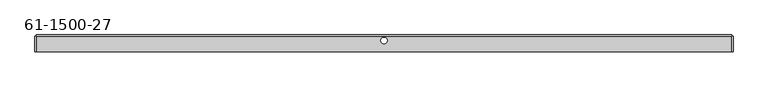
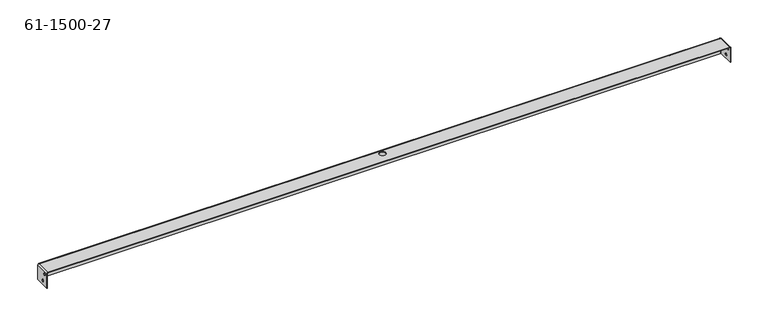
"""IFC4 building model written with IfcOpenShell, lengths in millimetres: proxy geometry, 61-1500-27."""

from ifc_helpers import new_model, si_unit, frame, origin, place, context, project, spatial, polyline, circle_curve, source, transform, mapped, element, save
from ifc_brep_helpers import plane_surface, cylinder_surface, revolved_surface, advanced_brep


def proxy_61_1500_27_6c1998b3(model_context):
    return source(origin(), model_context, "Body", "AdvancedBrep", [
        advanced_brep(
        [(-195.5638734, -8.8208295, -3.78206), (-196.4173134, -8.8208295, -3.78206), (-196.4173134, -8.8208295, -7.21106), (-195.5638734, -8.8208295, -7.21106), (860.8576866, -8.8208295, -3.78206), (860.0042466, -8.8208295, -3.78206), (860.0042466, -8.8208295, -7.21106), (860.8576866, -8.8208295, -7.21106), (-195.5638734, -4.1777095, -16.48206), (-196.4173134, -4.1777095, -16.48206), (-196.4173134, -4.1777095, -19.91106), (-195.5638734, -4.1777095, -19.91106), (860.8576866, -4.1777095, -16.48206), (860.0042466, -4.1777095, -16.48206), (860.0042466, -4.1777095, -19.91106), (860.8576866, -4.1777095, -19.91106), (336.9826866, 1.5372905, 0.0), (336.9826866, 1.5372905, 0.85344), (327.4576866, 1.5372905, 0.85344), (327.4576866, 1.5372905, 0.0), (-194.7104334, 9.3757305, -24.54656), (-194.7104334, 10.2291705, -24.54656), (859.1508066, 10.2291705, -24.54656), (859.1508066, 9.3757305, -24.54656), (-194.7104334, 10.2291705, -0.85344), (859.1508066, 10.2291705, -0.85344), (860.8576866, -15.1708295, -0.85344), (860.8576866, 8.5222905, -0.85344), (859.1508066, 8.5222905, 0.85344), (859.1508066, -15.1708295, 0.85344), (860.0042466, 8.5222905, -0.85344), (860.0042466, -15.1708295, -0.85344), (859.1508066, -15.1708295, 0.0), (859.1508066, 8.5222905, 0.0), (859.1508066, 9.3757305, -0.85344), (-194.7104334, 8.5222905, 0.85344), (-194.7104334, -15.1708295, 0.0), (-194.7104334, 8.5222905, 0.0), (-194.7104334, -15.1708295, 0.85344), (-196.4173134, -15.1708295, -0.85344), (-196.4173134, -15.1708295, -24.54656), (-195.5638734, -15.1708295, -24.54656), (-195.5638734, -15.1708295, -0.85344), (860.0042466, -15.1708295, -24.54656), (860.8576866, -15.1708295, -24.54656), (-196.4173134, 8.5222905, -0.85344), (-195.5638734, 8.5222905, -0.85344), (-194.7104334, 9.3757305, -0.85344), (-196.4173134, 8.5222905, -24.54656), (-195.5638734, 8.5222905, -24.54656), (860.8576866, 8.5222905, -24.54656), (860.0042466, 8.5222905, -24.54656)],
        [
            (0, 1),
            (1, 2, circle_curve(frame((-196.4173134, -8.8208295, -5.49656), z_axis=(-1.0, 0.0, 0.0), x_axis=(0.0, 0.0, 1.0)), 1.7145)),
            (2, 3),
            (3, 0, circle_curve(frame((-195.5638734, -8.8208295, -5.49656), z_axis=(1.0, 0.0, 0.0), x_axis=(0.0, 0.0, 1.0)), 1.7145)),
            (4, 5),
            (5, 6, circle_curve(frame((860.0042466, -8.8208295, -5.49656), z_axis=(-1.0, 0.0, 0.0), x_axis=(0.0, 0.0, 1.0)), 1.7145)),
            (6, 7),
            (7, 4, circle_curve(frame((860.8576866, -8.8208295, -5.49656), z_axis=(1.0, 0.0, 0.0), x_axis=(0.0, 0.0, 1.0)), 1.7145)),
            (8, 9),
            (9, 10, circle_curve(frame((-196.4173134, -4.1777095, -18.19656), z_axis=(-1.0, 0.0, 0.0), x_axis=(0.0, 0.0, 1.0)), 1.7145)),
            (10, 11),
            (11, 8, circle_curve(frame((-195.5638734, -4.1777095, -18.19656), z_axis=(1.0, 0.0, 0.0), x_axis=(0.0, 0.0, 1.0)), 1.7145)),
            (12, 13),
            (13, 14, circle_curve(frame((860.0042466, -4.1777095, -18.19656), z_axis=(-1.0, 0.0, 0.0), x_axis=(0.0, 0.0, 1.0)), 1.7145)),
            (14, 15),
            (15, 12, circle_curve(frame((860.8576866, -4.1777095, -18.19656), z_axis=(1.0, 0.0, 0.0), x_axis=(0.0, 0.0, 1.0)), 1.7145)),
            (16, 17),
            (17, 18, circle_curve(frame((332.2201866, 1.5372905, 0.85344), z_axis=(0.0, 0.0, 1.0), x_axis=(1.0, 0.0, 0.0)), 4.7625)),
            (18, 19),
            (19, 16, circle_curve(frame((332.2201866, 1.5372905, 0.0), z_axis=(0.0, 0.0, -1.0), x_axis=(1.0, 0.0, 0.0)), 4.7625)),
            (16, 19, circle_curve(frame((332.2201866, 1.5372905, 0.0), z_axis=(0.0, 0.0, -1.0), x_axis=(1.0, 0.0, 0.0)), 4.7625)),
            (18, 17, circle_curve(frame((332.2201866, 1.5372905, 0.85344), z_axis=(0.0, 0.0, 1.0), x_axis=(1.0, 0.0, 0.0)), 4.7625)),
            (12, 15, circle_curve(frame((860.8576866, -4.1777095, -18.19656), z_axis=(1.0, 0.0, 0.0), x_axis=(0.0, 0.0, 1.0)), 1.7145)),
            (14, 13, circle_curve(frame((860.0042466, -4.1777095, -18.19656), z_axis=(-1.0, 0.0, 0.0), x_axis=(0.0, 0.0, 1.0)), 1.7145)),
            (8, 11, circle_curve(frame((-195.5638734, -4.1777095, -18.19656), z_axis=(1.0, 0.0, 0.0), x_axis=(0.0, 0.0, 1.0)), 1.7145)),
            (10, 9, circle_curve(frame((-196.4173134, -4.1777095, -18.19656), z_axis=(-1.0, 0.0, 0.0), x_axis=(0.0, 0.0, 1.0)), 1.7145)),
            (4, 7, circle_curve(frame((860.8576866, -8.8208295, -5.49656), z_axis=(1.0, 0.0, 0.0), x_axis=(0.0, 0.0, 1.0)), 1.7145)),
            (6, 5, circle_curve(frame((860.0042466, -8.8208295, -5.49656), z_axis=(-1.0, 0.0, 0.0), x_axis=(0.0, 0.0, 1.0)), 1.7145)),
            (0, 3, circle_curve(frame((-195.5638734, -8.8208295, -5.49656), z_axis=(1.0, 0.0, 0.0), x_axis=(0.0, 0.0, 1.0)), 1.7145)),
            (2, 1, circle_curve(frame((-196.4173134, -8.8208295, -5.49656), z_axis=(-1.0, 0.0, 0.0), x_axis=(0.0, 0.0, 1.0)), 1.7145)),
            (20, 21),
            (21, 22),
            (22, 23),
            (23, 20),
            (21, 24),
            (24, 25),
            (25, 22),
            (26, 27),
            (27, 28, circle_curve(frame((859.1508066, 8.5222905, -0.85344), z_axis=(0.0, -1.0, 0.0), x_axis=(0.0, 0.0, 1.0)), 1.70688)),
            (28, 29),
            (29, 26, circle_curve(frame((859.1508066, -15.1708295, -0.85344), z_axis=(0.0, 1.0, 0.0), x_axis=(0.0, 0.0, 1.0)), 1.70688)),
            (30, 31),
            (31, 32, circle_curve(frame((859.1508066, -15.1708295, -0.85344), z_axis=(0.0, -1.0, 0.0), x_axis=(0.0, 0.0, 1.0)), 0.85344)),
            (32, 33),
            (33, 30, circle_curve(frame((859.1508066, 8.5222905, -0.85344), z_axis=(0.0, 1.0, 0.0), x_axis=(0.0, 0.0, 1.0)), 0.85344)),
            (28, 33),
            (33, 34, circle_curve(frame((859.1508066, 8.5222905, -0.85344), z_axis=(-1.0, 0.0, 0.0), x_axis=(0.0, 0.0, 1.0)), 0.85344)),
            (34, 23),
            (25, 28, circle_curve(frame((859.1508066, 8.5222905, -0.85344), z_axis=(1.0, 0.0, 0.0), x_axis=(0.0, 0.0, 1.0)), 1.70688)),
            (24, 35, circle_curve(frame((-194.7104334, 8.5222905, -0.85344), z_axis=(1.0, 0.0, 0.0), x_axis=(0.0, 0.0, 1.0)), 1.70688)),
            (35, 28),
            (32, 36),
            (36, 37),
            (37, 33),
            (29, 38),
            (38, 39, circle_curve(frame((-194.7104334, -15.1708295, -0.85344), z_axis=(0.0, -1.0, 0.0), x_axis=(0.0, 0.0, 1.0)), 1.70688)),
            (39, 40),
            (40, 41),
            (41, 42),
            (42, 36, circle_curve(frame((-194.7104334, -15.1708295, -0.85344), z_axis=(0.0, 1.0, 0.0), x_axis=(0.0, 0.0, 1.0)), 0.85344)),
            (31, 43),
            (43, 44),
            (44, 26),
            (45, 39),
            (38, 35),
            (35, 45, circle_curve(frame((-194.7104334, 8.5222905, -0.85344), z_axis=(0.0, -1.0, 0.0), x_axis=(0.0, 0.0, 1.0)), 1.70688)),
            (42, 46),
            (46, 37, circle_curve(frame((-194.7104334, 8.5222905, -0.85344), z_axis=(0.0, 1.0, 0.0), x_axis=(0.0, 0.0, 1.0)), 0.85344)),
            (37, 35),
            (20, 47),
            (47, 37, circle_curve(frame((-194.7104334, 8.5222905, -0.85344), z_axis=(1.0, 0.0, 0.0), x_axis=(0.0, 0.0, 1.0)), 0.85344)),
            (47, 34),
            (45, 48),
            (48, 40),
            (46, 49),
            (49, 48),
            (49, 41),
            (27, 50),
            (50, 51),
            (51, 30),
            (44, 50),
            (43, 51),
        ],
        [
            revolved_surface(polyline([(-196.4173134, -8.8208295, -3.7820599999999995), (-195.56387339999992, -8.8208295, -3.7820599999999995)]), (861.4677208, -8.8208295, -5.49656), (-1.0, 0.0, 0.0)),
            revolved_surface(polyline([(860.0042466, -8.8208295, -3.7820599999999995), (860.8576866, -8.8208295, -3.7820599999999995)]), (861.4677208, -8.8208295, -5.49656), (-1.0, 0.0, 0.0)),
            revolved_surface(polyline([(-196.4173134, -4.1777095, -16.48206), (-195.56387339999992, -4.1777095, -16.48206)]), (861.4677208, -4.1777095, -18.19656), (-1.0, 0.0, 0.0)),
            revolved_surface(polyline([(860.0042466, -4.1777095, -16.48206), (860.8576866, -4.1777095, -16.48206)]), (861.4677208, -4.1777095, -18.19656), (-1.0, 0.0, 0.0)),
            revolved_surface(polyline([(336.98268659999997, 1.5372905, 0.8534399999999991), (336.98268659999997, 1.5372905, 0.0)]), (332.2201866, 1.5372905, -8.67156), (0.0, 0.0, 1.0)),
            plane_surface(frame((860.8576866, 10.2291705, -24.54656), z_axis=(0.0, 0.0, -1.0), x_axis=(-1.0, 0.0, 0.0))),
            plane_surface(frame((332.2201866, 10.2291705, -11.84656), z_axis=(0.0, 1.0, 0.0), x_axis=(0.0, 0.0, 1.0))),
            cylinder_surface(frame((859.1508066, -3.3242695, -0.85344), z_axis=(0.0, 1.0, 0.0), x_axis=(0.0, 0.0, 1.0)), 1.70688),
            revolved_surface(polyline([(859.1508066, 8.5222905, 0.0), (859.1508066, -15.1708295, 0.0)]), (859.1508066, -3.3242695, -0.85344), (0.0, 1.0, 0.0)),
            plane_surface(frame((859.1508066, 8.5222905, 0.85344), z_axis=(1.0, 0.0, 0.0), x_axis=(0.0, 0.0, 1.0))),
            cylinder_surface(frame((332.2201866, 8.5222905, -0.85344), z_axis=(-1.0, 0.0, 0.0), x_axis=(0.0, 0.0, 1.0)), 1.70688),
            plane_surface(frame((332.2201866, -2.4708295, 0.0), z_axis=(0.0, 0.0, -1.0), x_axis=(1.0, 0.0, 0.0))),
            plane_surface(frame((860.8576866, -15.1708295, 0.0), z_axis=(0.0, -1.0, 0.0), x_axis=(0.0, 0.0, -1.0))),
            cylinder_surface(frame((-194.7104334, -3.3242695, -0.85344), z_axis=(0.0, -1.0, 0.0), x_axis=(0.0, 0.0, 1.0)), 1.70688),
            revolved_surface(polyline([(-194.7104334, -15.1708295, 0.0), (-194.7104334, 8.5222905, 0.0)]), (-194.7104334, -3.3242695, -0.85344), (0.0, -1.0, 0.0)),
            plane_surface(frame((-194.7104334, -15.1708295, 0.85344), z_axis=(-1.0, 0.0, 0.0), x_axis=(0.0, 0.0, -1.0))),
            revolved_surface(polyline([(-194.7104334, 8.5222905, 0.0), (859.1508066000001, 8.5222905, 0.0)]), (332.2201866, 8.5222905, -0.85344), (-1.0, 0.0, 0.0)),
            plane_surface(frame((332.2201866, -2.4708295, 0.85344), z_axis=(0.0, 0.0, 1.0), x_axis=(1.0, 0.0, 0.0))),
            plane_surface(frame((332.2201866, 9.3757305, -11.84656), z_axis=(0.0, -1.0, 0.0), x_axis=(0.0, 0.0, 1.0))),
            plane_surface(frame((-196.4173134, -3.3242695, -11.84656), z_axis=(-1.0, 0.0, 0.0), x_axis=(0.0, 0.0, -1.0))),
            plane_surface(frame((-196.4173134, 8.5222905, 0.85344), z_axis=(0.0, 1.0, 0.0), x_axis=(0.0, 0.0, 1.0))),
            plane_surface(frame((-196.4173134, 8.5222905, -24.54656), z_axis=(0.0, 0.0, -1.0), x_axis=(-1.0, 0.0, 0.0))),
            plane_surface(frame((-195.5638734, -3.3242695, -11.84656), z_axis=(1.0, 0.0, 0.0), x_axis=(0.0, 0.0, -1.0))),
            plane_surface(frame((860.8576866, 8.5222905, -24.54656), z_axis=(0.0, 1.0, 0.0), x_axis=(0.0, 0.0, 1.0))),
            plane_surface(frame((860.8576866, -3.3242695, -11.84656), z_axis=(1.0, 0.0, 0.0), x_axis=(0.0, 0.0, -1.0))),
            plane_surface(frame((860.8576866, -15.1708295, -24.54656), z_axis=(0.0, 0.0, -1.0), x_axis=(-1.0, 0.0, 0.0))),
            plane_surface(frame((860.0042466, -3.3242695, -11.84656), z_axis=(-1.0, 0.0, 0.0), x_axis=(0.0, 0.0, -1.0))),
        ],
        [
            (0, [[1, 2, 3, 4]]),
            (1, [[5, 6, 7, 8]]),
            (2, [[9, 10, 11, 12]]),
            (3, [[13, 14, 15, 16]]),
            (4, [[17, 18, 19, 20]]),
            (4, [[-17, 21, -19, 22]]),
            (3, [[-13, 23, -15, 24]]),
            (2, [[-9, 25, -11, 26]]),
            (1, [[-5, 27, -7, 28]]),
            (0, [[-1, 29, -3, 30]]),
            (5, [[31, 32, 33, 34]]),
            (6, [[35, 36, 37, -32]]),
            (7, [[38, 39, 40, 41]]),
            (8, [[42, 43, 44, 45]]),
            (9, [[46, 47, 48, -33, -37, 49]]),
            (10, [[-49, -36, 50, 51]]),
            (11, [[-44, 52, 53, 54], [-21, -20]]),
            (12, [[55, 56, 57, 58, 59, 60, -52, -43, 61, 62, 63, -41]]),
            (13, [[64, -56, 65, 66]]),
            (14, [[67, 68, -53, -60]]),
            (15, [[69, -50, -35, -31, 70, 71]]),
            (16, [[-47, -54, -71, 72]]),
            (17, [[-40, -51, -65, -55], [-22, -18]]),
            (18, [[-70, -34, -48, -72]]),
            (19, [[-64, 73, 74, -57], [-26, -10], [-30, -2]]),
            (20, [[75, 76, -73, -66, -69, -68]]),
            (21, [[77, -58, -74, -76]]),
            (22, [[-67, -59, -77, -75], [-25, -12], [-29, -4]]),
            (23, [[78, 79, 80, -45, -46, -39]]),
            (24, [[-38, -63, 81, -78], [-23, -16], [-27, -8]]),
            (25, [[82, -79, -81, -62]]),
            (26, [[-42, -80, -82, -61], [-6, -28], [-14, -24]]),
        ],
    ),
    ])


if __name__ == "__main__":
    model = new_model("IFC4")
    model_context = context("Model", 3, world=origin())
    ifc_project = project(units=[si_unit("LENGTHUNIT", "METRE", prefix="MILLI")], contexts=[model_context])
    site = spatial("IfcSite", under=ifc_project)
    building = spatial("IfcBuilding", under=site)
    placement = place(None, origin())
    proxy_61_1500_27_shape = proxy_61_1500_27_6c1998b3(model_context)
    element("IfcBuildingElementProxy", 1, Name="61-1500-27", ObjectType="61-1500-27", at=placement, inside=building, context=model_context, shape_type="MappedRepresentation", body=[
        mapped(proxy_61_1500_27_shape, transform((0.0, 0.0, 0.0), x_axis=(1.0, 0.0, 0.0), y_axis=(0.0, 1.0, 0.0), z_axis=(0.0, 0.0, 1.0))),
    ])
    save(model, "model.ifc")
